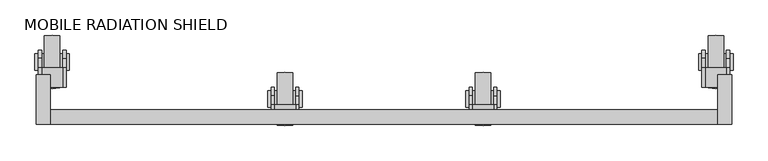
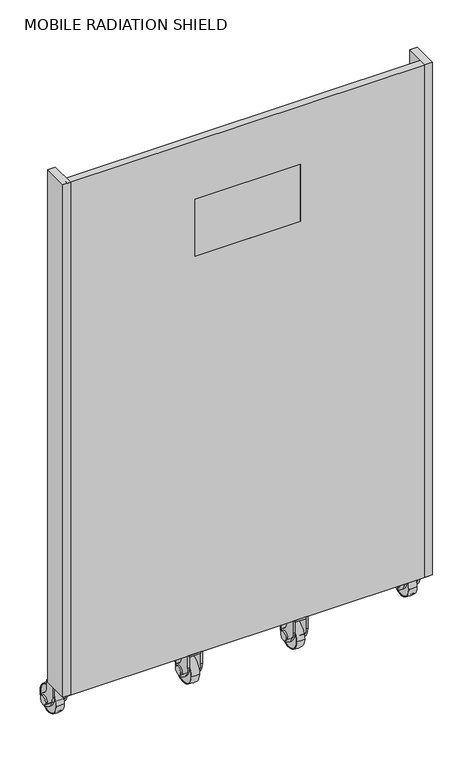
"""IFC4 building model written with IfcOpenShell, lengths in millimetres: proxy geometry, MOBILE RADIATION SHIELD."""

from ifc_helpers import new_model, si_unit, point, frame, frame_2d, origin, place, context, project, spatial, polyline, circle_curve, ellipse_curve, trimmed, segment, composite_curve, outline, extrude, source, transform, mapped, element, save
from ifc_brep_helpers import plane_surface, revolved_surface, advanced_brep


def mobile_radiation_shield_5095bbaa(model_context):
    return source(origin(), model_context, "Body", "SolidModel", [
        advanced_brep(
        [(422.4507982, -522.4953448, 48.0465135), (422.4507982, -616.1074229, 48.0465135), (394.4507982, -616.1074229, 48.0465135), (394.4507982, -522.4953448, 48.0465135), (394.4507982, -524.3013839, 48.0465135), (394.4507982, -614.3013839, 48.0465135), (422.4507982, -614.3013839, 48.0465135), (422.4507982, -524.3013839, 48.0465135)],
        [
            (0, 1, circle_curve(frame((422.4507982, -569.3013839, 48.0465135), z_axis=(-1.0, 0.0, 0.0), x_axis=(0.0, -1.0000000000000007, 0.0)), 46.8060391)),
            (1, 2, circle_curve(frame((408.4507982, -537.7256309, 48.0465135), z_axis=(0.0, 0.0, -1.0), x_axis=(0.0, 1.0000000000000007, 0.0)), 79.6222664)),
            (2, 3, circle_curve(frame((394.4507982, -569.3013839, 48.0465135), z_axis=(1.0, 0.0, 0.0), x_axis=(0.0, -1.0000000000000007, 0.0)), 46.8060391)),
            (3, 0, circle_curve(frame((408.4507982, -600.8771368, 48.0465135), z_axis=(0.0, 0.0, -1.0), x_axis=(0.0, -1.0000000000000007, 0.0)), 79.6222664)),
            (4, 5, circle_curve(frame((394.4507982, -569.3013839, 48.0465135), z_axis=(-1.0, 0.0, 0.0), x_axis=(0.0, -1.0000000000000007, 0.0)), 45.0)),
            (5, 6),
            (6, 7, circle_curve(frame((422.4507982, -569.3013839, 48.0465135), z_axis=(1.0, 0.0, 0.0), x_axis=(0.0, -1.0000000000000007, 0.0)), 45.0)),
            (7, 4),
            (2, 3, circle_curve(frame((394.4507982, -569.3013839, 48.0465135), z_axis=(-1.0, 0.0, 0.0), x_axis=(0.0, 1.0000000000000007, 0.0)), 46.8060391)),
            (4, 5, circle_curve(frame((394.4507982, -569.3013839, 48.0465135), z_axis=(1.0, 0.0, 0.0), x_axis=(0.0, 1.0000000000000007, 0.0)), 45.0)),
            (1, 0, circle_curve(frame((422.4507982, -569.3013839, 48.0465135), z_axis=(-1.0, 0.0, 0.0), x_axis=(0.0, 1.0000000000000007, 0.0)), 46.8060391)),
            (6, 7, circle_curve(frame((422.4507982, -569.3013839, 48.0465135), z_axis=(-1.0, 0.0, 0.0), x_axis=(0.0, 1.0000000000000007, 0.0)), 45.0)),
        ],
        [
            revolved_surface(trimmed(ellipse_curve(frame((408.4507982, -537.7256309, 48.0465135), z_axis=(0.0, 0.0, 1.0), x_axis=(0.0, 1.0000000000000007, 0.0)), 79.6222664, 79.6222664), [point((394.4507982, -616.1074229, 48.0465135))], [point((422.4507982, -616.1074229, 48.0465135))], True, "CARTESIAN"), (414.9735895, -569.3013839, 48.0465135), (1.0000000000000007, 0.0, 0.0)),
            revolved_surface(polyline([(422.4507982, -614.3013839, 48.0465135), (394.4507982, -614.3013839, 48.0465135)]), (414.9735895, -569.3013839, 48.0465135), (1.0000000000000007, 0.0, 0.0)),
            plane_surface(frame((394.4507982, -569.3013839, 48.0465135), z_axis=(-1.0, 0.0, 0.0), x_axis=(0.0, 1.0, 0.0))),
            revolved_surface(trimmed(ellipse_curve(frame((408.4507982, -600.8771368, 48.0465135), z_axis=(0.0, 0.0, -1.0), x_axis=(0.0, -1.0000000000000007, 0.0)), 79.6222664, 79.6222664), [point((394.4507982, -522.4953448, 48.0465135))], [point((422.4507982, -522.4953448, 48.0465135))], True, "CARTESIAN"), (414.9735895, -569.3013839, 48.0465135), (1.0000000000000007, 0.0, 0.0)),
            plane_surface(frame((422.4507982, -569.3013839, 48.0465135), z_axis=(1.0, 0.0, 0.0), x_axis=(0.0, 1.0, 0.0))),
            revolved_surface(polyline([(422.4507982, -524.3013839, 48.0465135), (394.4507982, -524.3013839, 48.0465135)]), (414.9735895, -569.3013839, 48.0465135), (1.0000000000000007, 0.0, 0.0)),
        ],
        [
            (0, [[1, 2, 3, 4]]),
            (1, [[5, 6, 7, 8]]),
            (2, [[9, -3], [10, -5]]),
            (3, [[11, -4, -9, -2]]),
            (4, [[-11, -1], [12, -7]]),
            (5, [[-10, -8, -12, -6]]),
        ],
    ),
        extrude(outline(composite_curve([segment(polyline([(-578.4902199, 29.163577), (-587.2897422, 34.2439835)]), True, "CONTINUOUS"), segment(trimmed(circle_curve(frame_2d((-559.7897422, 81.8753807)), 55.0), [point((-587.2897422, 34.2439835))], [point((-614.7897422, 81.8753807))], False, "CARTESIAN"), True, "CONTINUOUS"), segment(polyline([(-614.7897422, 81.8753807), (-614.7897422, 125.0465135), (-579.7897422, 125.0465135), (-579.7897422, 99.3530944)]), True, "CONTINUOUS"), segment(trimmed(circle_curve(frame_2d((-542.1411214, 99.3530944)), 37.6486207), [point((-579.7897422, 99.3530944))], [point((-563.1880551, 68.1369892))], True, "CARTESIAN"), True, "CONTINUOUS"), segment(trimmed(circle_curve(frame_2d((-569.3013839, 48.0465135)), 21.0), [point((-563.1880551, 68.1369892))], [point((-578.4902199, 29.163577))], False, "CARTESIAN"), True, "CONTINUOUS")], self_intersect=False)), frame((383.4735895, 0.0, 0.0), z_axis=(1.0, 0.0, 0.0), x_axis=(0.0, 1.0, 0.0)), (0.0, 0.0, 1.0), 6.0),
        extrude(outline(polyline([(427.4735895, -614.7897422), (389.4735895, -614.7897422), (389.4735895, -579.7897422), (427.4735895, -579.7897422), (427.4735895, -614.7897422)])), frame((0.0, 0.0, 119.0465135), z_axis=(0.0, 0.0, 1.0), x_axis=(1.0, 0.0, 0.0)), (0.0, 0.0, 1.0), 6.0),
        extrude(outline(composite_curve([segment(polyline([(-578.4902199, 29.163577), (-587.2897422, 34.2439835)]), True, "CONTINUOUS"), segment(trimmed(circle_curve(frame_2d((-559.7897422, 81.8753807)), 55.0), [point((-587.2897422, 34.2439835))], [point((-614.7897422, 81.8753807))], False, "CARTESIAN"), True, "CONTINUOUS"), segment(polyline([(-614.7897422, 81.8753807), (-614.7897422, 125.0465135), (-579.7897422, 125.0465135), (-579.7897422, 99.3530944)]), True, "CONTINUOUS"), segment(trimmed(circle_curve(frame_2d((-542.1411214, 99.3530944)), 37.6486207), [point((-579.7897422, 99.3530944))], [point((-563.1880551, 68.1369892))], True, "CARTESIAN"), True, "CONTINUOUS"), segment(trimmed(circle_curve(frame_2d((-569.3013839, 48.0465135)), 21.0), [point((-563.1880551, 68.1369892))], [point((-578.4902199, 29.163577))], False, "CARTESIAN"), True, "CONTINUOUS")], self_intersect=False)), frame((427.4735895, 0.0, 0.0), z_axis=(1.0, 0.0, 0.0), x_axis=(0.0, 1.0, 0.0)), (0.0, 0.0, 1.0), 6.0),
        extrude(outline(composite_curve([segment(trimmed(circle_curve(frame_2d((-569.3013839, 48.0465135)), 15.0), [point((-584.3013839, 48.0465135))], [point((-554.3013839, 48.0465135))], False, "CARTESIAN"), True, "CONTINUOUS"), segment(trimmed(circle_curve(frame_2d((-569.3013839, 48.0465135)), 15.0), [point((-554.3013839, 48.0465135))], [point((-584.3013839, 48.0465135))], False, "CARTESIAN"), True, "CONTINUOUS")], self_intersect=False)), frame((377.4735895, 0.0, 0.0), z_axis=(1.0, 0.0, 0.0), x_axis=(0.0, 1.0, 0.0)), (0.0, 0.0, 1.0), 62.0),
        extrude(outline(composite_curve([segment(trimmed(circle_curve(frame_2d((-569.3013839, 48.0465135)), 45.0), [point((-614.3013839, 48.0465135))], [point((-524.3013839, 48.0465135))], False, "CARTESIAN"), True, "CONTINUOUS"), segment(trimmed(circle_curve(frame_2d((-569.3013839, 48.0465135)), 45.0), [point((-524.3013839, 48.0465135))], [point((-614.3013839, 48.0465135))], False, "CARTESIAN"), True, "CONTINUOUS")], self_intersect=False)), frame((395.9735895, 0.0, 0.0), z_axis=(1.0, 0.0, 0.0), x_axis=(0.0, 1.0, 0.0)), (0.0, 0.0, 1.0), 25.0),
        advanced_brep(
        [(778.0507982, -522.4953448, 48.0465135), (778.0507982, -616.1074229, 48.0465135), (750.0507982, -616.1074229, 48.0465135), (750.0507982, -522.4953448, 48.0465135), (750.0507982, -524.3013839, 48.0465135), (750.0507982, -614.3013839, 48.0465135), (778.0507982, -614.3013839, 48.0465135), (778.0507982, -524.3013839, 48.0465135)],
        [
            (0, 1, circle_curve(frame((778.0507982, -569.3013839, 48.0465135), z_axis=(-1.0, 0.0, 0.0), x_axis=(0.0, -1.0000000000000007, 0.0)), 46.8060391)),
            (1, 2, circle_curve(frame((764.0507982, -537.7256309, 48.0465135), z_axis=(0.0, 0.0, -1.0), x_axis=(0.0, 1.0000000000000007, 0.0)), 79.6222664)),
            (2, 3, circle_curve(frame((750.0507982, -569.3013839, 48.0465135), z_axis=(1.0, 0.0, 0.0), x_axis=(0.0, -1.0000000000000007, 0.0)), 46.8060391)),
            (3, 0, circle_curve(frame((764.0507982, -600.8771368, 48.0465135), z_axis=(0.0, 0.0, -1.0), x_axis=(0.0, -1.0000000000000007, 0.0)), 79.6222664)),
            (4, 5, circle_curve(frame((750.0507982, -569.3013839, 48.0465135), z_axis=(-1.0, 0.0, 0.0), x_axis=(0.0, -1.0000000000000007, 0.0)), 45.0)),
            (5, 6),
            (6, 7, circle_curve(frame((778.0507982, -569.3013839, 48.0465135), z_axis=(1.0, 0.0, 0.0), x_axis=(0.0, -1.0000000000000007, 0.0)), 45.0)),
            (7, 4),
            (2, 3, circle_curve(frame((750.0507982, -569.3013839, 48.0465135), z_axis=(-1.0, 0.0, 0.0), x_axis=(0.0, 1.0000000000000007, 0.0)), 46.8060391)),
            (4, 5, circle_curve(frame((750.0507982, -569.3013839, 48.0465135), z_axis=(1.0, 0.0, 0.0), x_axis=(0.0, 1.0000000000000007, 0.0)), 45.0)),
            (1, 0, circle_curve(frame((778.0507982, -569.3013839, 48.0465135), z_axis=(-1.0, 0.0, 0.0), x_axis=(0.0, 1.0000000000000007, 0.0)), 46.8060391)),
            (6, 7, circle_curve(frame((778.0507982, -569.3013839, 48.0465135), z_axis=(-1.0, 0.0, 0.0), x_axis=(0.0, 1.0000000000000007, 0.0)), 45.0)),
        ],
        [
            revolved_surface(trimmed(ellipse_curve(frame((764.0507982, -537.7256309, 48.0465135), z_axis=(0.0, 0.0, 1.0), x_axis=(0.0, 1.0000000000000007, 0.0)), 79.6222664, 79.6222664), [point((750.0507982, -616.1074229, 48.0465135))], [point((778.0507982, -616.1074229, 48.0465135))], True, "CARTESIAN"), (770.5735895, -569.3013839, 48.0465135), (1.0000000000000007, 0.0, 0.0)),
            revolved_surface(polyline([(778.0507982, -614.3013839, 48.0465135), (750.0507982, -614.3013839, 48.0465135)]), (770.5735895, -569.3013839, 48.0465135), (1.0000000000000007, 0.0, 0.0)),
            plane_surface(frame((750.0507982, -569.3013839, 48.0465135), z_axis=(-1.0, 0.0, 0.0), x_axis=(0.0, 1.0, 0.0))),
            revolved_surface(trimmed(ellipse_curve(frame((764.0507982, -600.8771368, 48.0465135), z_axis=(0.0, 0.0, -1.0), x_axis=(0.0, -1.0000000000000007, 0.0)), 79.6222664, 79.6222664), [point((750.0507982, -522.4953448, 48.0465135))], [point((778.0507982, -522.4953448, 48.0465135))], True, "CARTESIAN"), (770.5735895, -569.3013839, 48.0465135), (1.0000000000000007, 0.0, 0.0)),
            plane_surface(frame((778.0507982, -569.3013839, 48.0465135), z_axis=(1.0, 0.0, 0.0), x_axis=(0.0, 1.0, 0.0))),
            revolved_surface(polyline([(778.0507982, -524.3013839, 48.0465135), (750.0507982, -524.3013839, 48.0465135)]), (770.5735895, -569.3013839, 48.0465135), (1.0000000000000007, 0.0, 0.0)),
        ],
        [
            (0, [[1, 2, 3, 4]]),
            (1, [[5, 6, 7, 8]]),
            (2, [[9, -3], [10, -5]]),
            (3, [[11, -4, -9, -2]]),
            (4, [[-11, -1], [12, -7]]),
            (5, [[-10, -8, -12, -6]]),
        ],
    ),
        extrude(outline(composite_curve([segment(polyline([(-578.4902199, 29.163577), (-587.2897422, 34.2439835)]), True, "CONTINUOUS"), segment(trimmed(circle_curve(frame_2d((-559.7897422, 81.8753807)), 55.0), [point((-587.2897422, 34.2439835))], [point((-614.7897422, 81.8753807))], False, "CARTESIAN"), True, "CONTINUOUS"), segment(polyline([(-614.7897422, 81.8753807), (-614.7897422, 125.0465135), (-579.7897422, 125.0465135), (-579.7897422, 99.3530944)]), True, "CONTINUOUS"), segment(trimmed(circle_curve(frame_2d((-542.1411214, 99.3530944)), 37.6486207), [point((-579.7897422, 99.3530944))], [point((-563.1880551, 68.1369892))], True, "CARTESIAN"), True, "CONTINUOUS"), segment(trimmed(circle_curve(frame_2d((-569.3013839, 48.0465135)), 21.0), [point((-563.1880551, 68.1369892))], [point((-578.4902199, 29.163577))], False, "CARTESIAN"), True, "CONTINUOUS")], self_intersect=False)), frame((739.0735895, 0.0, 0.0), z_axis=(1.0, 0.0, 0.0), x_axis=(0.0, 1.0, 0.0)), (0.0, 0.0, 1.0), 6.0),
        extrude(outline(polyline([(783.0735895, -614.7897422), (745.0735895, -614.7897422), (745.0735895, -579.7897422), (783.0735895, -579.7897422), (783.0735895, -614.7897422)])), frame((0.0, 0.0, 119.0465135), z_axis=(0.0, 0.0, 1.0), x_axis=(1.0, 0.0, 0.0)), (0.0, 0.0, 1.0), 6.0),
        extrude(outline(composite_curve([segment(polyline([(-578.4902199, 29.163577), (-587.2897422, 34.2439835)]), True, "CONTINUOUS"), segment(trimmed(circle_curve(frame_2d((-559.7897422, 81.8753807)), 55.0), [point((-587.2897422, 34.2439835))], [point((-614.7897422, 81.8753807))], False, "CARTESIAN"), True, "CONTINUOUS"), segment(polyline([(-614.7897422, 81.8753807), (-614.7897422, 125.0465135), (-579.7897422, 125.0465135), (-579.7897422, 99.3530944)]), True, "CONTINUOUS"), segment(trimmed(circle_curve(frame_2d((-542.1411214, 99.3530944)), 37.6486207), [point((-579.7897422, 99.3530944))], [point((-563.1880551, 68.1369892))], True, "CARTESIAN"), True, "CONTINUOUS"), segment(trimmed(circle_curve(frame_2d((-569.3013839, 48.0465135)), 21.0), [point((-563.1880551, 68.1369892))], [point((-578.4902199, 29.163577))], False, "CARTESIAN"), True, "CONTINUOUS")], self_intersect=False)), frame((783.0735895, 0.0, 0.0), z_axis=(1.0, 0.0, 0.0), x_axis=(0.0, 1.0, 0.0)), (0.0, 0.0, 1.0), 6.0),
        extrude(outline(composite_curve([segment(trimmed(circle_curve(frame_2d((-569.3013839, 48.0465135)), 15.0), [point((-584.3013839, 48.0465135))], [point((-554.3013839, 48.0465135))], False, "CARTESIAN"), True, "CONTINUOUS"), segment(trimmed(circle_curve(frame_2d((-569.3013839, 48.0465135)), 15.0), [point((-554.3013839, 48.0465135))], [point((-584.3013839, 48.0465135))], False, "CARTESIAN"), True, "CONTINUOUS")], self_intersect=False)), frame((733.0735895, 0.0, 0.0), z_axis=(1.0, 0.0, 0.0), x_axis=(0.0, 1.0, 0.0)), (0.0, 0.0, 1.0), 62.0),
        extrude(outline(composite_curve([segment(trimmed(circle_curve(frame_2d((-569.3013839, 48.0465135)), 45.0), [point((-614.3013839, 48.0465135))], [point((-524.3013839, 48.0465135))], False, "CARTESIAN"), True, "CONTINUOUS"), segment(trimmed(circle_curve(frame_2d((-569.3013839, 48.0465135)), 45.0), [point((-524.3013839, 48.0465135))], [point((-614.3013839, 48.0465135))], False, "CARTESIAN"), True, "CONTINUOUS")], self_intersect=False)), frame((751.5735895, 0.0, 0.0), z_axis=(1.0, 0.0, 0.0), x_axis=(0.0, 1.0, 0.0)), (0.0, 0.0, 1.0), 25.0),
        advanced_brep(
        [(1195.8735895, -455.8953448, 48.0465135), (1195.8735895, -549.5074229, 48.0465135), (1167.8735895, -549.5074229, 48.0465135), (1167.8735895, -455.8953448, 48.0465135), (1167.8735895, -457.7013839, 48.0465135), (1167.8735895, -547.7013839, 48.0465135), (1195.8735895, -547.7013839, 48.0465135), (1195.8735895, -457.7013839, 48.0465135)],
        [
            (0, 1, circle_curve(frame((1195.8735895, -502.7013839, 48.0465135), z_axis=(-1.0, 0.0, 0.0), x_axis=(0.0, -1.0000000000000007, 0.0)), 46.8060391)),
            (1, 2, circle_curve(frame((1181.8735895, -471.1256309, 48.0465135), z_axis=(0.0, 0.0, -1.0), x_axis=(0.0, 1.0000000000000007, 0.0)), 79.6222664)),
            (2, 3, circle_curve(frame((1167.8735895, -502.7013839, 48.0465135), z_axis=(1.0, 0.0, 0.0), x_axis=(0.0, -1.0000000000000007, 0.0)), 46.8060391)),
            (3, 0, circle_curve(frame((1181.8735895, -534.2771368, 48.0465135), z_axis=(0.0, 0.0, -1.0), x_axis=(0.0, -1.0000000000000007, 0.0)), 79.6222664)),
            (4, 5, circle_curve(frame((1167.8735895, -502.7013839, 48.0465135), z_axis=(-1.0, 0.0, 0.0), x_axis=(0.0, -1.0000000000000007, 0.0)), 45.0)),
            (5, 6),
            (6, 7, circle_curve(frame((1195.8735895, -502.7013839, 48.0465135), z_axis=(1.0, 0.0, 0.0), x_axis=(0.0, -1.0000000000000007, 0.0)), 45.0)),
            (7, 4),
            (2, 3, circle_curve(frame((1167.8735895, -502.7013839, 48.0465135), z_axis=(-1.0, 0.0, 0.0), x_axis=(0.0, 1.0000000000000007, 0.0)), 46.8060391)),
            (4, 5, circle_curve(frame((1167.8735895, -502.7013839, 48.0465135), z_axis=(1.0, 0.0, 0.0), x_axis=(0.0, 1.0000000000000007, 0.0)), 45.0)),
            (1, 0, circle_curve(frame((1195.8735895, -502.7013839, 48.0465135), z_axis=(-1.0, 0.0, 0.0), x_axis=(0.0, 1.0000000000000007, 0.0)), 46.8060391)),
            (6, 7, circle_curve(frame((1195.8735895, -502.7013839, 48.0465135), z_axis=(-1.0, 0.0, 0.0), x_axis=(0.0, 1.0000000000000007, 0.0)), 45.0)),
        ],
        [
            revolved_surface(trimmed(ellipse_curve(frame((1181.8735895, -471.1256309, 48.0465135), z_axis=(0.0, 0.0, 1.0), x_axis=(0.0, 1.0000000000000007, 0.0)), 79.6222664, 79.6222664), [point((1167.8735895, -549.5074229, 48.0465135))], [point((1195.8735895, -549.5074229, 48.0465135))], True, "CARTESIAN"), (1188.3963809, -502.7013839, 48.0465135), (1.0000000000000007, 0.0, 0.0)),
            revolved_surface(polyline([(1195.8735895, -547.7013839, 48.0465135), (1167.8735895, -547.7013839, 48.0465135)]), (1188.3963809, -502.7013839, 48.0465135), (1.0000000000000007, 0.0, 0.0)),
            plane_surface(frame((1167.8735895, -502.7013839, 48.0465135), z_axis=(-1.0, 0.0, 0.0), x_axis=(0.0, 1.0, 0.0))),
            revolved_surface(trimmed(ellipse_curve(frame((1181.8735895, -534.2771368, 48.0465135), z_axis=(0.0, 0.0, -1.0), x_axis=(0.0, -1.0000000000000007, 0.0)), 79.6222664, 79.6222664), [point((1167.8735895, -455.8953448, 48.0465135))], [point((1195.8735895, -455.8953448, 48.0465135))], True, "CARTESIAN"), (1188.3963809, -502.7013839, 48.0465135), (1.0000000000000007, 0.0, 0.0)),
            plane_surface(frame((1195.8735895, -502.7013839, 48.0465135), z_axis=(1.0, 0.0, 0.0), x_axis=(0.0, 1.0, 0.0))),
            revolved_surface(polyline([(1195.8735895, -457.7013839, 48.0465135), (1167.8735895, -457.7013839, 48.0465135)]), (1188.3963809, -502.7013839, 48.0465135), (1.0000000000000007, 0.0, 0.0)),
        ],
        [
            (0, [[1, 2, 3, 4]]),
            (1, [[5, 6, 7, 8]]),
            (2, [[9, -3], [10, -5]]),
            (3, [[11, -4, -9, -2]]),
            (4, [[-11, -1], [12, -7]]),
            (5, [[-10, -8, -12, -6]]),
        ],
    ),
        extrude(outline(composite_curve([segment(polyline([(-511.8902199, 29.163577), (-520.6897422, 34.2439835)]), True, "CONTINUOUS"), segment(trimmed(circle_curve(frame_2d((-493.1897422, 81.8753807)), 55.0), [point((-520.6897422, 34.2439835))], [point((-548.1897422, 81.8753807))], False, "CARTESIAN"), True, "CONTINUOUS"), segment(polyline([(-548.1897422, 81.8753807), (-548.1897422, 125.0465135), (-513.1897422, 125.0465135), (-513.1897422, 99.3530944)]), True, "CONTINUOUS"), segment(trimmed(circle_curve(frame_2d((-475.5411214, 99.3530944)), 37.6486207), [point((-513.1897422, 99.3530944))], [point((-496.5880551, 68.1369892))], True, "CARTESIAN"), True, "CONTINUOUS"), segment(trimmed(circle_curve(frame_2d((-502.7013839, 48.0465135)), 21.0), [point((-496.5880551, 68.1369892))], [point((-511.8902199, 29.163577))], False, "CARTESIAN"), True, "CONTINUOUS")], self_intersect=False)), frame((1156.8963809, 0.0, 0.0), z_axis=(1.0, 0.0, 0.0), x_axis=(0.0, 1.0, 0.0)), (0.0, 0.0, 1.0), 6.0),
        extrude(outline(polyline([(1200.8963809, -548.1897422), (1162.8963809, -548.1897422), (1162.8963809, -513.1897422), (1200.8963809, -513.1897422), (1200.8963809, -548.1897422)])), frame((0.0, 0.0, 119.0465135), z_axis=(0.0, 0.0, 1.0), x_axis=(1.0, 0.0, 0.0)), (0.0, 0.0, 1.0), 6.0),
        extrude(outline(composite_curve([segment(polyline([(-511.8902199, 29.163577), (-520.6897422, 34.2439835)]), True, "CONTINUOUS"), segment(trimmed(circle_curve(frame_2d((-493.1897422, 81.8753807)), 55.0), [point((-520.6897422, 34.2439835))], [point((-548.1897422, 81.8753807))], False, "CARTESIAN"), True, "CONTINUOUS"), segment(polyline([(-548.1897422, 81.8753807), (-548.1897422, 125.0465135), (-513.1897422, 125.0465135), (-513.1897422, 99.3530944)]), True, "CONTINUOUS"), segment(trimmed(circle_curve(frame_2d((-475.5411214, 99.3530944)), 37.6486207), [point((-513.1897422, 99.3530944))], [point((-496.5880551, 68.1369892))], True, "CARTESIAN"), True, "CONTINUOUS"), segment(trimmed(circle_curve(frame_2d((-502.7013839, 48.0465135)), 21.0), [point((-496.5880551, 68.1369892))], [point((-511.8902199, 29.163577))], False, "CARTESIAN"), True, "CONTINUOUS")], self_intersect=False)), frame((1200.8963809, 0.0, 0.0), z_axis=(1.0, 0.0, 0.0), x_axis=(0.0, 1.0, 0.0)), (0.0, 0.0, 1.0), 6.0),
        extrude(outline(composite_curve([segment(trimmed(circle_curve(frame_2d((-502.7013839, 48.0465135)), 15.0), [point((-517.7013839, 48.0465135))], [point((-487.7013839, 48.0465135))], False, "CARTESIAN"), True, "CONTINUOUS"), segment(trimmed(circle_curve(frame_2d((-502.7013839, 48.0465135)), 15.0), [point((-487.7013839, 48.0465135))], [point((-517.7013839, 48.0465135))], False, "CARTESIAN"), True, "CONTINUOUS")], self_intersect=False)), frame((1150.8963809, 0.0, 0.0), z_axis=(1.0, 0.0, 0.0), x_axis=(0.0, 1.0, 0.0)), (0.0, 0.0, 1.0), 62.0),
        extrude(outline(composite_curve([segment(trimmed(circle_curve(frame_2d((-502.7013839, 48.0465135)), 45.0), [point((-547.7013839, 48.0465135))], [point((-457.7013839, 48.0465135))], False, "CARTESIAN"), True, "CONTINUOUS"), segment(trimmed(circle_curve(frame_2d((-502.7013839, 48.0465135)), 45.0), [point((-457.7013839, 48.0465135))], [point((-547.7013839, 48.0465135))], False, "CARTESIAN"), True, "CONTINUOUS")], self_intersect=False)), frame((1169.3963809, 0.0, 0.0), z_axis=(1.0, 0.0, 0.0), x_axis=(0.0, 1.0, 0.0)), (0.0, 0.0, 1.0), 25.0),
        advanced_brep(
        [(4.6735895, -455.8953448, 48.0465135), (4.6735895, -549.5074229, 48.0465135), (-23.3264105, -549.5074229, 48.0465135), (-23.3264105, -455.8953448, 48.0465135), (-23.3264105, -457.7013839, 48.0465135), (-23.3264105, -547.7013839, 48.0465135), (4.6735895, -547.7013839, 48.0465135), (4.6735895, -457.7013839, 48.0465135)],
        [
            (0, 1, circle_curve(frame((4.6735895, -502.7013839, 48.0465135), z_axis=(-1.0, 0.0, 0.0), x_axis=(0.0, -1.0000000000000007, 0.0)), 46.8060391)),
            (1, 2, circle_curve(frame((-9.3264105, -471.1256309, 48.0465135), z_axis=(0.0, 0.0, -1.0), x_axis=(0.0, 1.0000000000000007, 0.0)), 79.6222664)),
            (2, 3, circle_curve(frame((-23.3264105, -502.7013839, 48.0465135), z_axis=(1.0, 0.0, 0.0), x_axis=(0.0, -1.0000000000000007, 0.0)), 46.8060391)),
            (3, 0, circle_curve(frame((-9.3264105, -534.2771368, 48.0465135), z_axis=(0.0, 0.0, -1.0), x_axis=(0.0, -1.0000000000000007, 0.0)), 79.6222664)),
            (4, 5, circle_curve(frame((-23.3264105, -502.7013839, 48.0465135), z_axis=(-1.0, 0.0, 0.0), x_axis=(0.0, -1.0000000000000007, 0.0)), 45.0)),
            (5, 6),
            (6, 7, circle_curve(frame((4.6735895, -502.7013839, 48.0465135), z_axis=(1.0, 0.0, 0.0), x_axis=(0.0, -1.0000000000000007, 0.0)), 45.0)),
            (7, 4),
            (2, 3, circle_curve(frame((-23.3264105, -502.7013839, 48.0465135), z_axis=(-1.0, 0.0, 0.0), x_axis=(0.0, 1.0000000000000007, 0.0)), 46.8060391)),
            (4, 5, circle_curve(frame((-23.3264105, -502.7013839, 48.0465135), z_axis=(1.0, 0.0, 0.0), x_axis=(0.0, 1.0000000000000007, 0.0)), 45.0)),
            (1, 0, circle_curve(frame((4.6735895, -502.7013839, 48.0465135), z_axis=(-1.0, 0.0, 0.0), x_axis=(0.0, 1.0000000000000007, 0.0)), 46.8060391)),
            (6, 7, circle_curve(frame((4.6735895, -502.7013839, 48.0465135), z_axis=(-1.0, 0.0, 0.0), x_axis=(0.0, 1.0000000000000007, 0.0)), 45.0)),
        ],
        [
            revolved_surface(trimmed(ellipse_curve(frame((-9.3264105, -471.1256309, 48.0465135), z_axis=(0.0, 0.0, 1.0), x_axis=(0.0, 1.0000000000000007, 0.0)), 79.6222664, 79.6222664), [point((-23.3264105, -549.5074229, 48.0465135))], [point((4.6735895, -549.5074229, 48.0465135))], True, "CARTESIAN"), (-2.8036191, -502.7013839, 48.0465135), (1.0000000000000007, 0.0, 0.0)),
            revolved_surface(polyline([(4.673589500000011, -547.7013839, 48.0465135), (-23.32641050000003, -547.7013839, 48.0465135)]), (-2.8036191, -502.7013839, 48.0465135), (1.0000000000000007, 0.0, 0.0)),
            plane_surface(frame((-23.3264105, -502.7013839, 48.0465135), z_axis=(-1.0, 0.0, 0.0), x_axis=(0.0, 1.0, 0.0))),
            revolved_surface(trimmed(ellipse_curve(frame((-9.3264105, -534.2771368, 48.0465135), z_axis=(0.0, 0.0, -1.0), x_axis=(0.0, -1.0000000000000007, 0.0)), 79.6222664, 79.6222664), [point((-23.3264105, -455.8953448, 48.0465135))], [point((4.6735895, -455.8953448, 48.0465135))], True, "CARTESIAN"), (-2.8036191, -502.7013839, 48.0465135), (1.0000000000000007, 0.0, 0.0)),
            plane_surface(frame((4.6735895, -502.7013839, 48.0465135), z_axis=(1.0, 0.0, 0.0), x_axis=(0.0, 1.0, 0.0))),
            revolved_surface(polyline([(4.673589500000011, -457.7013839, 48.0465135), (-23.32641050000003, -457.7013839, 48.0465135)]), (-2.8036191, -502.7013839, 48.0465135), (1.0000000000000007, 0.0, 0.0)),
        ],
        [
            (0, [[1, 2, 3, 4]]),
            (1, [[5, 6, 7, 8]]),
            (2, [[9, -3], [10, -5]]),
            (3, [[11, -4, -9, -2]]),
            (4, [[-11, -1], [12, -7]]),
            (5, [[-10, -8, -12, -6]]),
        ],
    ),
        extrude(outline(composite_curve([segment(polyline([(-511.8902199, 29.163577), (-520.6897422, 34.2439835)]), True, "CONTINUOUS"), segment(trimmed(circle_curve(frame_2d((-493.1897422, 81.8753807)), 55.0), [point((-520.6897422, 34.2439835))], [point((-548.1897422, 81.8753807))], False, "CARTESIAN"), True, "CONTINUOUS"), segment(polyline([(-548.1897422, 81.8753807), (-548.1897422, 125.0465135), (-513.1897422, 125.0465135), (-513.1897422, 99.3530944)]), True, "CONTINUOUS"), segment(trimmed(circle_curve(frame_2d((-475.5411214, 99.3530944)), 37.6486207), [point((-513.1897422, 99.3530944))], [point((-496.5880551, 68.1369892))], True, "CARTESIAN"), True, "CONTINUOUS"), segment(trimmed(circle_curve(frame_2d((-502.7013839, 48.0465135)), 21.0), [point((-496.5880551, 68.1369892))], [point((-511.8902199, 29.163577))], False, "CARTESIAN"), True, "CONTINUOUS")], self_intersect=False)), frame((-34.3036191, 0.0, 0.0), z_axis=(1.0, 0.0, 0.0), x_axis=(0.0, 1.0, 0.0)), (0.0, 0.0, 1.0), 6.0),
        extrude(outline(polyline([(9.6963809, -548.1897422), (-28.3036191, -548.1897422), (-28.3036191, -513.1897422), (9.6963809, -513.1897422), (9.6963809, -548.1897422)])), frame((0.0, 0.0, 119.0465135), z_axis=(0.0, 0.0, 1.0), x_axis=(1.0, 0.0, 0.0)), (0.0, 0.0, 1.0), 6.0),
        extrude(outline(composite_curve([segment(polyline([(-511.8902199, 29.163577), (-520.6897422, 34.2439835)]), True, "CONTINUOUS"), segment(trimmed(circle_curve(frame_2d((-493.1897422, 81.8753807)), 55.0), [point((-520.6897422, 34.2439835))], [point((-548.1897422, 81.8753807))], False, "CARTESIAN"), True, "CONTINUOUS"), segment(polyline([(-548.1897422, 81.8753807), (-548.1897422, 125.0465135), (-513.1897422, 125.0465135), (-513.1897422, 99.3530944)]), True, "CONTINUOUS"), segment(trimmed(circle_curve(frame_2d((-475.5411214, 99.3530944)), 37.6486207), [point((-513.1897422, 99.3530944))], [point((-496.5880551, 68.1369892))], True, "CARTESIAN"), True, "CONTINUOUS"), segment(trimmed(circle_curve(frame_2d((-502.7013839, 48.0465135)), 21.0), [point((-496.5880551, 68.1369892))], [point((-511.8902199, 29.163577))], False, "CARTESIAN"), True, "CONTINUOUS")], self_intersect=False)), frame((9.6963809, 0.0, 0.0), z_axis=(1.0, 0.0, 0.0), x_axis=(0.0, 1.0, 0.0)), (0.0, 0.0, 1.0), 6.0),
        extrude(outline(composite_curve([segment(trimmed(circle_curve(frame_2d((-502.7013839, 48.0465135)), 15.0), [point((-517.7013839, 48.0465135))], [point((-487.7013839, 48.0465135))], False, "CARTESIAN"), True, "CONTINUOUS"), segment(trimmed(circle_curve(frame_2d((-502.7013839, 48.0465135)), 15.0), [point((-487.7013839, 48.0465135))], [point((-517.7013839, 48.0465135))], False, "CARTESIAN"), True, "CONTINUOUS")], self_intersect=False)), frame((-40.3036191, 0.0, 0.0), z_axis=(1.0, 0.0, 0.0), x_axis=(0.0, 1.0, 0.0)), (0.0, 0.0, 1.0), 62.0),
        extrude(outline(composite_curve([segment(trimmed(circle_curve(frame_2d((-502.7013839, 48.0465135)), 45.0), [point((-547.7013839, 48.0465135))], [point((-457.7013839, 48.0465135))], False, "CARTESIAN"), True, "CONTINUOUS"), segment(trimmed(circle_curve(frame_2d((-502.7013839, 48.0465135)), 45.0), [point((-457.7013839, 48.0465135))], [point((-547.7013839, 48.0465135))], False, "CARTESIAN"), True, "CONTINUOUS")], self_intersect=False)), frame((-21.8036191, 0.0, 0.0), z_axis=(1.0, 0.0, 0.0), x_axis=(0.0, 1.0, 0.0)), (0.0, 0.0, 1.0), 25.0),
        extrude(outline(polyline([(1210.5824674, -614.7897422), (1185.1824674, -614.7897422), (1185.1824674, -525.8897422), (1210.5824674, -525.8897422), (1210.5824674, -614.7897422)])), frame((0.0, 0.0, 125.0465135), z_axis=(0.0, 0.0, 1.0), x_axis=(1.0, 0.0, 0.0)), (0.0, 0.0, 1.0), 1828.8),
        extrude(outline(polyline([(-38.0352883, -614.7897422), (-38.0352883, -525.8897422), (-12.6352883, -525.8897422), (-12.6352883, -614.7897422), (-38.0352883, -614.7897422)])), frame((0.0, 0.0, 125.0465135), z_axis=(0.0, 0.0, 1.0), x_axis=(1.0, 0.0, 0.0)), (0.0, 0.0, 1.0), 1828.8),
        extrude(outline(polyline([(408.4735895, -589.3897422), (764.0735895, -589.3897422), (764.0735895, -614.7897422), (408.4735895, -614.7897422), (408.4735895, -589.3897422)])), frame((0.0, 0.0, 1543.05), z_axis=(0.0, 0.0, 1.0), x_axis=(1.0, 0.0, 0.0)), (0.0, 0.0, 1.0), 203.2),
        extrude(outline(polyline([(1953.8465135, 1195.8735895), (1953.8465135, -23.3264105), (125.0465135, -23.3264105), (125.0465135, 1195.8735895), (1953.8465135, 1195.8735895)]), holes=[polyline([(1746.25, 408.4735895), (1746.25, 764.0735895), (1543.05, 764.0735895), (1543.05, 408.4735895), (1746.25, 408.4735895)])]), frame((0.0, -614.7897422, 0.0), z_axis=(0.0, 1.0, 0.0), x_axis=(0.0, 0.0, 1.0)), (0.0, 0.0, 1.0), 25.4),
    ])


if __name__ == "__main__":
    model = new_model("IFC4")
    model_context = context("Model", 3, world=origin())
    ifc_project = project(units=[si_unit("LENGTHUNIT", "METRE", prefix="MILLI")], contexts=[model_context])
    site = spatial("IfcSite", under=ifc_project)
    building = spatial("IfcBuilding", under=site)
    placement = place(None, origin())
    mobile_radiation_shield_shape = mobile_radiation_shield_5095bbaa(model_context)
    element("IfcBuildingElementProxy", 1, Name="MOBILE RADIATION SHIELD", ObjectType="MOBILE RADIATION SHIELD", at=placement, inside=building, context=model_context, shape_type="MappedRepresentation", body=[
        mapped(mobile_radiation_shield_shape, transform((0.0, 0.0, 0.0), x_axis=(1.0, 0.0, 0.0), y_axis=(0.0, 1.0, 0.0), z_axis=(0.0, 0.0, 1.0))),
    ])
    save(model, "model.ifc")
